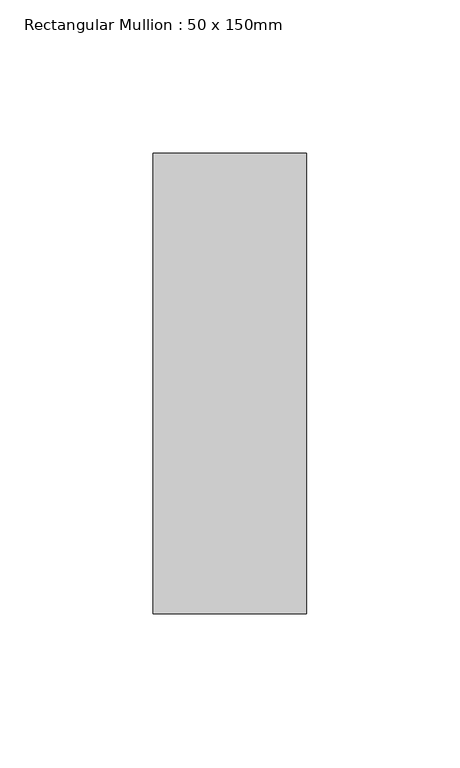
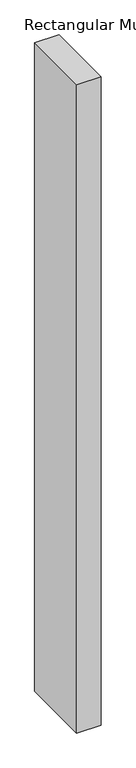
"""IFC4 building model written with IfcOpenShell, lengths in millimetres: member geometry, Rectangular Mullion : 50 x 150mm."""

from ifc_helpers import new_model, si_unit, frame, origin, place, context, project, spatial, polyline, outline, extrude, source, transform, mapped, element, save


def rectangular_mullion_50_x_150mm_65cae8a2(model_context):
    return source(origin(), model_context, "Body", "SweptSolid", [
        extrude(outline(polyline([(0.0, 75.0), (0.0, -75.0), (-50.0, -75.0), (-50.0, 75.0), (0.0, 75.0)])), frame((0.0, 0.0, -1411.6666667), z_axis=(0.0, 0.0, 1.0), x_axis=(1.0, 0.0, 0.0)), (0.0, 0.0, 1.0), 1411.6666667),
    ])


if __name__ == "__main__":
    model = new_model("IFC4")
    model_context = context("Model", 3, world=origin())
    ifc_project = project(units=[si_unit("LENGTHUNIT", "METRE", prefix="MILLI")], contexts=[model_context])
    site = spatial("IfcSite", under=ifc_project)
    building = spatial("IfcBuilding", under=site)
    placement = place(None, origin())
    rectangular_mullion_50_x_150mm_shape = rectangular_mullion_50_x_150mm_65cae8a2(model_context)
    element("IfcMember", 1, ObjectType="Rectangular Mullion : 50 x 150mm", at=placement, inside=building, context=model_context, shape_type="MappedRepresentation", body=[
        mapped(rectangular_mullion_50_x_150mm_shape, transform((0.0, 0.0, 0.0), x_axis=(1.0, 0.0, 0.0), y_axis=(0.0, 1.0, 0.0), z_axis=(0.0, 0.0, 1.0))),
    ])
    save(model, "model.ifc")
